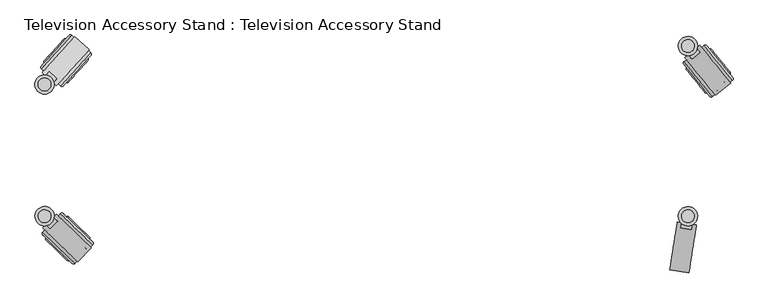
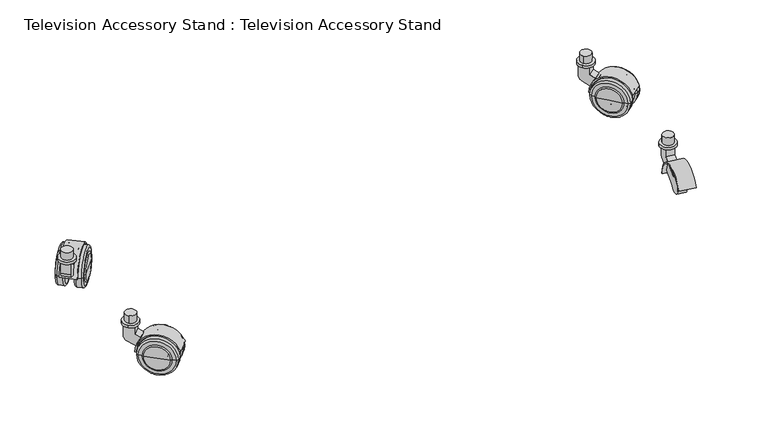
"""IFC4 building model written with IfcOpenShell, lengths in millimetres: furniture geometry, Television Accessory Stand : Television Accessory Stand."""

from ifc_helpers import new_model, si_unit, point, frame, frame_2d, origin, origin_2d, place, context, project, spatial, polyline, circle_curve, ellipse_curve, trimmed, segment, composite_curve, outline, extrude, source, transform, mapped, element, save
from ifc_brep_helpers import plane_surface, cylinder_surface, revolved_surface, advanced_brep


def television_accessory_stand_television_accessory_stand_908c038f(model_context):
    return source(origin(), model_context, "Body", "SolidModel", [
        extrude(outline(composite_curve([segment(polyline([(37.0, 0.0), (39.0, 0.0)]), True, "CONTINUOUS"), segment(trimmed(circle_curve(origin_2d(), 39.0), [point((39.0, 0.0))], [point((-36.6480122, -13.3387856))], False, "CARTESIAN"), True, "CONTINUOUS"), segment(polyline([(-36.6480122, -13.3387856), (-34.768627, -12.6547453)]), True, "CONTINUOUS"), segment(trimmed(circle_curve(origin_2d(), 37.0), [point((-34.768627, -12.6547453))], [point((37.0, 0.0))], True, "CARTESIAN"), True, "CONTINUOUS")], self_intersect=False)), frame((125.5471145, 54.4769845, 35.0), z_axis=(0.6946583704590072, 0.7193398003386415, 0.0), x_axis=(0.6759583022158301, -0.6527653446874928, 0.34202014332566927)), (0.0, 0.0, 1.0), 30.0),
        extrude(outline(composite_curve([segment(polyline([(-25.0, 0.0), (-5.0, 0.0), (-5.0, -21.6846171)]), True, "CONTINUOUS"), segment(trimmed(circle_curve(frame_2d((-15.0, -21.6846171)), 10.0), [point((-5.0, -21.6846171))], [point((-10.7738175, -30.747695))], False, "CARTESIAN"), True, "CONTINUOUS"), segment(polyline([(-10.7738175, -30.747695), (-50.6409883, -49.3380621)]), True, "CONTINUOUS"), segment(trimmed(circle_curve(frame_2d((-65.0000001, -45.0)), 15.0), [point((-50.6409883, -49.3380621))], [point((-80.0000001, -45.0))], False, "CARTESIAN"), True, "CONTINUOUS"), segment(trimmed(circle_curve(frame_2d((-65.0000001, -45.0)), 15.0), [point((-80.0000001, -45.0))], [point((-59.0933536, -31.2119063))], False, "CARTESIAN"), True, "CONTINUOUS"), segment(polyline([(-59.0933536, -31.2119063), (-25.0, -15.3139145), (-25.0, 0.0)]), True, "CONTINUOUS")], self_intersect=False)), frame((83.652636, 104.6651572, 80.0), z_axis=(0.6946583704590072, 0.7193398003386416, 0.0), x_axis=(-0.7193398003386416, 0.6946583704590072, 0.0)), (0.0, 0.0, 1.0), 16.0),
        extrude(outline(composite_curve([segment(trimmed(circle_curve(frame_2d((100.0, 100.0)), 15.0), [point((89.5801244, 89.209903))], [point((110.4198756, 110.790097))], False, "CARTESIAN"), True, "CONTINUOUS"), segment(trimmed(circle_curve(frame_2d((100.0, 100.0)), 15.0), [point((110.4198756, 110.790097))], [point((89.5801244, 89.209903))], False, "CARTESIAN"), True, "CONTINUOUS")], self_intersect=False)), frame((0.0, 0.0, 80.0), z_axis=(0.0, 0.0, 1.0), x_axis=(1.0, 0.0, 0.0)), (0.0, 0.0, 1.0), 5.0),
        extrude(outline(composite_curve([segment(trimmed(circle_curve(frame_2d((100.0, 100.0)), 10.0), [point((93.0534163, 92.806602))], [point((106.9465837, 107.193398))], False, "CARTESIAN"), True, "CONTINUOUS"), segment(trimmed(circle_curve(frame_2d((100.0, 100.0)), 10.0), [point((106.9465837, 107.193398))], [point((93.0534163, 92.806602))], False, "CARTESIAN"), True, "CONTINUOUS")], self_intersect=False)), frame((0.0, 0.0, 85.0), z_axis=(0.0, 0.0, 1.0), x_axis=(1.0, 0.0, 0.0)), (0.0, 0.0, 1.0), 15.0),
        advanced_brep(
        [(174.9630061, 59.582829, 35.0), (128.9252589, 104.0409647, 35.0), (151.9441325, 81.8118969, 35.0), (175.0370504, 55.3408345, 35.0), (124.6832644, 103.9669204, 35.0), (168.7851251, 48.8667763, 35.0), (118.4313391, 97.4928622, 35.0), (164.5431306, 48.792732, 35.0), (118.5053834, 93.2508677, 35.0), (141.524257, 71.0217999, 35.0)],
        [
            (0, 1, circle_curve(frame((151.9441325, 81.8118969, 35.0), z_axis=(0.6946583704590004, 0.7193398003386482, 0.0), x_axis=(-0.7193398003386482, 0.6946583704590004, 0.0)), 32.0)),
            (1, 2),
            (2, 0),
            (1, 0, circle_curve(frame((151.9441325, 81.8118969, 35.0), z_axis=(0.6946583704590004, 0.7193398003386482, 0.0), x_axis=(-0.7193398003386482, 0.6946583704590004, 0.0)), 32.0)),
            (3, 4, circle_curve(frame((149.8601574, 79.6538775, 35.0), z_axis=(0.6946583704590004, 0.7193398003386482, 0.0), x_axis=(-0.7193398003386482, 0.6946583704590004, 0.0)), 35.0)),
            (4, 1, circle_curve(frame((126.8412838, 101.8829453, 35.0), z_axis=(0.0, 0.0, -1.0), x_axis=(-0.6946583704590027, -0.719339800338646, 0.0)), 3.0)),
            (0, 3, circle_curve(frame((172.879031, 57.4248096, 35.0), z_axis=(0.0, 0.0, -1.0), x_axis=(-0.694658370458998, -0.7193398003386504, 0.0)), 3.0)),
            (4, 3, circle_curve(frame((149.8601574, 79.6538775, 35.0), z_axis=(0.6946583704590004, 0.7193398003386482, 0.0), x_axis=(-0.7193398003386482, 0.6946583704590004, 0.0)), 35.0)),
            (5, 6, circle_curve(frame((143.6082321, 73.1798193, 35.0), z_axis=(0.6946583704590004, 0.7193398003386482, 0.0), x_axis=(-0.7193398003386482, 0.6946583704590004, 0.0)), 35.0)),
            (6, 4),
            (3, 5),
            (6, 5, circle_curve(frame((143.6082321, 73.1798193, 35.0), z_axis=(0.6946583704590004, 0.7193398003386482, 0.0), x_axis=(-0.7193398003386482, 0.6946583704590004, 0.0)), 35.0)),
            (7, 8, circle_curve(frame((141.524257, 71.0217999, 35.0), z_axis=(0.6946583704590004, 0.7193398003386482, 0.0), x_axis=(-0.7193398003386482, 0.6946583704590004, 0.0)), 32.0)),
            (8, 6, circle_curve(frame((120.5893585, 95.4088871, 35.0), z_axis=(0.0, 0.0, -1.0), x_axis=(-0.6946583704590027, -0.719339800338646, 0.0)), 3.0)),
            (5, 7, circle_curve(frame((166.6271057, 50.9507514, 35.0), z_axis=(0.0, 0.0, -1.0), x_axis=(-0.694658370458998, -0.7193398003386504, 0.0)), 3.0)),
            (8, 7, circle_curve(frame((141.524257, 71.0217999, 35.0), z_axis=(0.6946583704590004, 0.7193398003386482, 0.0), x_axis=(-0.7193398003386482, 0.6946583704590004, 0.0)), 32.0)),
            (9, 8),
            (7, 9),
        ],
        [
            plane_surface(frame((151.9441325, 81.8118969, 35.0), z_axis=(0.6946583704590004, 0.7193398003386482, 0.0), x_axis=(-0.7193398003386482, 0.6946583704590004, 0.0))),
            revolved_surface(trimmed(ellipse_curve(frame((126.8412838, 101.8829453, 35.0), z_axis=(0.0, 0.0, 1.0), x_axis=(-0.6946583704590027, -0.719339800338646, 0.0)), 3.0, 3.0), [point((128.9252589, 104.0409647, 35.0))], [point((124.6832644, 103.9669204, 35.0))], True, "CARTESIAN"), (141.524257, 71.0217999, 35.0), (-0.6946583704590004, -0.7193398003386482, 0.0)),
            cylinder_surface(frame((141.524257, 71.0217999, 35.0), z_axis=(-0.6946583704590004, -0.7193398003386482, 0.0), x_axis=(-0.7193398003386482, 0.6946583704590004, 0.0)), 35.0),
            revolved_surface(trimmed(ellipse_curve(frame((120.5893585, 95.4088871, 35.0), z_axis=(0.0, 0.0, 1.0), x_axis=(-0.6946583704590027, -0.719339800338646, 0.0)), 3.0, 3.0), [point((118.4313391, 97.4928622, 35.0))], [point((118.5053834, 93.2508677, 35.0))], True, "CARTESIAN"), (141.524257, 71.0217999, 35.0), (-0.6946583704590004, -0.7193398003386482, 0.0)),
            plane_surface(frame((141.524257, 71.0217999, 35.0), z_axis=(-0.6946583704590004, -0.7193398003386482, 0.0), x_axis=(-0.7193398003386482, 0.6946583704590004, 0.0))),
        ],
        [
            (0, [[1, 2, 3]]),
            (0, [[4, -3, -2]]),
            (1, [[5, 6, -1, 7]]),
            (1, [[8, -7, -4, -6]]),
            (2, [[9, 10, -5, 11]]),
            (2, [[12, -11, -8, -10]]),
            (3, [[13, 14, -9, 15]]),
            (3, [[16, -15, -12, -14]]),
            (4, [[17, -13, 18]]),
            (4, [[-18, -16, -17]]),
        ],
    ),
        advanced_brep(
        [(169.8782647, 67.273434, 35.0), (136.7886339, 99.227719, 35.0), (153.3334493, 83.2505765, 35.0), (169.9276275, 64.4454376, 35.0), (133.9606375, 99.1783561, 35.0), (151.9441325, 81.8118969, 35.0)],
        [
            (0, 1, circle_curve(frame((153.3334493, 83.2505765, 35.0), z_axis=(0.6946583704590004, 0.7193398003386482, 0.0), x_axis=(-0.7193398003386482, 0.6946583704590004, 0.0)), 23.0)),
            (1, 2),
            (2, 0),
            (1, 0, circle_curve(frame((153.3334493, 83.2505765, 35.0), z_axis=(0.6946583704590004, 0.7193398003386482, 0.0), x_axis=(-0.7193398003386482, 0.6946583704590004, 0.0)), 23.0)),
            (3, 4, circle_curve(frame((151.9441325, 81.8118969, 35.0), z_axis=(0.6946583704590004, 0.7193398003386482, 0.0), x_axis=(-0.7193398003386482, 0.6946583704590004, 0.0)), 25.0)),
            (4, 1, circle_curve(frame((135.3993171, 97.7890394, 35.0), z_axis=(0.0, 0.0, -1.0), x_axis=(-0.6946583704589966, -0.7193398003386519, 0.0)), 2.0)),
            (0, 3, circle_curve(frame((168.4889479, 65.8347544, 35.0), z_axis=(0.0, 0.0, -1.0), x_axis=(-0.6946583704590041, -0.7193398003386445, 0.0)), 2.0)),
            (4, 3, circle_curve(frame((151.9441325, 81.8118969, 35.0), z_axis=(0.6946583704590004, 0.7193398003386482, 0.0), x_axis=(-0.7193398003386482, 0.6946583704590004, 0.0)), 25.0)),
            (5, 4),
            (3, 5),
        ],
        [
            plane_surface(frame((153.3334493, 83.2505765, 35.0), z_axis=(0.6946583704590004, 0.7193398003386482, 0.0), x_axis=(-0.7193398003386482, 0.6946583704590004, 0.0))),
            revolved_surface(trimmed(ellipse_curve(frame((135.3993171, 97.7890394, 35.0), z_axis=(0.0, 0.0, 1.0), x_axis=(-0.6946583704589966, -0.7193398003386519, 0.0)), 2.0, 2.0), [point((136.7886339, 99.227719, 35.0))], [point((133.9606375, 99.1783561, 35.0))], True, "CARTESIAN"), (151.9441325, 81.8118969, 35.0), (-0.6946583704590004, -0.7193398003386482, 0.0)),
            plane_surface(frame((151.9441325, 81.8118969, 35.0), z_axis=(-0.6946583704590004, -0.7193398003386482, 0.0), x_axis=(-0.7193398003386482, 0.6946583704590004, 0.0))),
        ],
        [
            (0, [[1, 2, 3]]),
            (0, [[4, -3, -2]]),
            (1, [[5, 6, -1, 7]]),
            (1, [[8, -7, -4, -6]]),
            (2, [[9, -5, 10]]),
            (2, [[-10, -8, -9]]),
        ],
    ),
        advanced_brep(
        [(153.4285967, 37.2832952, 35.0), (107.3908494, 81.7414309, 35.0), (130.4097231, 59.5123631, 35.0), (153.502641, 33.0413007, 35.0), (103.1488549, 81.6673866, 35.0), (147.2507156, 26.5672425, 35.0), (96.8969296, 75.1933284, 35.0), (143.0087211, 26.4931982, 35.0), (96.9709739, 70.9513339, 35.0), (119.9898475, 48.7222661, 35.0)],
        [
            (0, 1, circle_curve(frame((130.4097231, 59.5123631, 35.0), z_axis=(0.694658370459005, 0.7193398003386438, 0.0), x_axis=(-0.7193398003386438, 0.694658370459005, 0.0)), 32.0)),
            (1, 2),
            (2, 0),
            (1, 0, circle_curve(frame((130.4097231, 59.5123631, 35.0), z_axis=(0.694658370459005, 0.7193398003386438, 0.0), x_axis=(-0.7193398003386438, 0.694658370459005, 0.0)), 32.0)),
            (3, 4, circle_curve(frame((128.3257479, 57.3543437, 35.0), z_axis=(0.694658370459005, 0.7193398003386438, 0.0), x_axis=(-0.7193398003386438, 0.694658370459005, 0.0)), 35.0)),
            (4, 1, circle_curve(frame((105.3068743, 79.5834115, 35.0), z_axis=(0.0, 0.0, -1.0), x_axis=(0.6946583704590027, 0.719339800338646, 0.0)), 3.0)),
            (0, 3, circle_curve(frame((151.3446216, 35.1252758, 35.0), z_axis=(0.0, 0.0, -1.0), x_axis=(0.6946583704590074, 0.7193398003386415, 0.0)), 3.0)),
            (4, 3, circle_curve(frame((128.3257479, 57.3543437, 35.0), z_axis=(0.694658370459005, 0.7193398003386438, 0.0), x_axis=(-0.7193398003386438, 0.694658370459005, 0.0)), 35.0)),
            (5, 6, circle_curve(frame((122.0738226, 50.8802855, 35.0), z_axis=(0.694658370459005, 0.7193398003386438, 0.0), x_axis=(-0.7193398003386438, 0.694658370459005, 0.0)), 35.0)),
            (6, 4),
            (3, 5),
            (6, 5, circle_curve(frame((122.0738226, 50.8802855, 35.0), z_axis=(0.694658370459005, 0.7193398003386438, 0.0), x_axis=(-0.7193398003386438, 0.694658370459005, 0.0)), 35.0)),
            (7, 8, circle_curve(frame((119.9898475, 48.7222661, 35.0), z_axis=(0.694658370459005, 0.7193398003386438, 0.0), x_axis=(-0.7193398003386438, 0.694658370459005, 0.0)), 32.0)),
            (8, 6, circle_curve(frame((99.054949, 73.1093533, 35.0), z_axis=(0.0, 0.0, -1.0), x_axis=(0.6946583704590027, 0.719339800338646, 0.0)), 3.0)),
            (5, 7, circle_curve(frame((145.0926962, 28.6512176, 35.0), z_axis=(0.0, 0.0, -1.0), x_axis=(0.6946583704590074, 0.7193398003386415, 0.0)), 3.0)),
            (8, 7, circle_curve(frame((119.9898475, 48.7222661, 35.0), z_axis=(0.694658370459005, 0.7193398003386438, 0.0), x_axis=(-0.7193398003386438, 0.694658370459005, 0.0)), 32.0)),
            (9, 8),
            (7, 9),
        ],
        [
            plane_surface(frame((130.4097231, 59.5123631, 35.0), z_axis=(0.694658370459005, 0.7193398003386438, 0.0), x_axis=(-0.7193398003386438, 0.694658370459005, 0.0))),
            revolved_surface(trimmed(ellipse_curve(frame((105.3068743, 79.5834115, 35.0), z_axis=(0.0, 0.0, 1.0), x_axis=(0.6946583704590027, 0.719339800338646, 0.0)), 3.0, 3.0), [point((107.3908494, 81.7414309, 35.0))], [point((103.1488549, 81.6673866, 35.0))], True, "CARTESIAN"), (130.4097231, 59.5123631, 35.0), (-0.694658370459005, -0.7193398003386438, 0.0)),
            cylinder_surface(frame((130.4097231, 59.5123631, 35.0), z_axis=(-0.694658370459005, -0.7193398003386438, 0.0), x_axis=(-0.7193398003386438, 0.694658370459005, 0.0)), 35.0),
            revolved_surface(trimmed(ellipse_curve(frame((99.054949, 73.1093533, 35.0), z_axis=(0.0, 0.0, 1.0), x_axis=(0.6946583704590027, 0.719339800338646, 0.0)), 3.0, 3.0), [point((96.8969296, 75.1933284, 35.0))], [point((96.9709739, 70.9513339, 35.0))], True, "CARTESIAN"), (130.4097231, 59.5123631, 35.0), (-0.694658370459005, -0.7193398003386438, 0.0)),
            plane_surface(frame((119.9898475, 48.7222661, 35.0), z_axis=(-0.694658370459005, -0.7193398003386438, 0.0), x_axis=(-0.7193398003386438, 0.694658370459005, 0.0))),
        ],
        [
            (0, [[1, 2, 3]]),
            (0, [[4, -3, -2]]),
            (1, [[5, 6, -1, 7]]),
            (1, [[8, -7, -4, -6]]),
            (2, [[9, 10, -5, 11]]),
            (2, [[12, -11, -8, -10]]),
            (3, [[13, 14, -9, 15]]),
            (3, [[16, -15, -12, -14]]),
            (4, [[17, -13, 18]]),
            (4, [[-18, -16, -17]]),
        ],
    ),
        advanced_brep(
        [(137.9733425, 31.3558068, 35.0), (102.0063525, 66.0887253, 35.0), (119.9898475, 48.7222661, 35.0), (135.1453462, 31.3064439, 35.0), (102.0557153, 63.260729, 35.0), (118.6005308, 47.2835865, 35.0)],
        [
            (0, 1, circle_curve(frame((119.9898475, 48.7222661, 35.0), z_axis=(0.694658370459005, 0.7193398003386438, 0.0), x_axis=(-0.7193398003386438, 0.694658370459005, 0.0)), 25.0)),
            (1, 2),
            (2, 0),
            (1, 0, circle_curve(frame((119.9898475, 48.7222661, 35.0), z_axis=(0.694658370459005, 0.7193398003386438, 0.0), x_axis=(-0.7193398003386438, 0.694658370459005, 0.0)), 25.0)),
            (3, 4, circle_curve(frame((118.6005308, 47.2835865, 35.0), z_axis=(0.694658370459005, 0.7193398003386438, 0.0), x_axis=(-0.7193398003386438, 0.694658370459005, 0.0)), 23.0)),
            (4, 1, circle_curve(frame((103.4450321, 64.6994086, 35.0), z_axis=(0.0, 0.0, -1.0), x_axis=(0.6946583704590088, 0.7193398003386401, 0.0)), 2.0)),
            (0, 3, circle_curve(frame((136.5346629, 32.7451235, 35.0), z_axis=(0.0, 0.0, -1.0), x_axis=(0.6946583704590013, 0.7193398003386474, 0.0)), 2.0)),
            (4, 3, circle_curve(frame((118.6005308, 47.2835865, 35.0), z_axis=(0.694658370459005, 0.7193398003386438, 0.0), x_axis=(-0.7193398003386438, 0.694658370459005, 0.0)), 23.0)),
            (5, 4),
            (3, 5),
        ],
        [
            plane_surface(frame((119.9898475, 48.7222661, 35.0), z_axis=(0.694658370459005, 0.7193398003386438, 0.0), x_axis=(-0.7193398003386438, 0.694658370459005, 0.0))),
            revolved_surface(trimmed(ellipse_curve(frame((103.4450321, 64.6994086, 35.0), z_axis=(0.0, 0.0, 1.0), x_axis=(0.6946583704590088, 0.7193398003386401, 0.0)), 2.0, 2.0), [point((102.0063525, 66.0887253, 35.0))], [point((102.0557153, 63.260729, 35.0))], True, "CARTESIAN"), (119.9898475, 48.7222661, 35.0), (-0.694658370459005, -0.7193398003386438, 0.0)),
            plane_surface(frame((118.6005308, 47.2835865, 35.0), z_axis=(-0.694658370459005, -0.7193398003386438, 0.0), x_axis=(-0.7193398003386438, 0.694658370459005, 0.0))),
        ],
        [
            (0, [[1, 2, 3]]),
            (0, [[4, -3, -2]]),
            (1, [[5, 6, -1, 7]]),
            (1, [[8, -7, -4, -6]]),
            (2, [[9, -5, 10]]),
            (2, [[-10, -8, -9]]),
        ],
    ),
        extrude(outline(composite_curve([segment(polyline([(37.0, 0.0), (39.0, 0.0)]), True, "CONTINUOUS"), segment(trimmed(circle_curve(origin_2d(), 39.0), [point((39.0, 0.0))], [point((-36.6480122, -13.3387856))], False, "CARTESIAN"), True, "CONTINUOUS"), segment(polyline([(-36.6480122, -13.3387856), (-34.768627, -12.6547453)]), True, "CONTINUOUS"), segment(trimmed(circle_curve(origin_2d(), 37.0), [point((-34.768627, -12.6547453))], [point((37.0, 0.0))], True, "CARTESIAN"), True, "CONTINUOUS")], self_intersect=False)), frame((144.6037027, 332.1202822, 35.0), z_axis=(-0.7431448254773843, 0.6691306063588693, 0.0), x_axis=(0.6287770931374298, 0.6983277086763295, 0.34202014332566927)), (0.0, 0.0, 1.0), 30.0),
        extrude(outline(composite_curve([segment(polyline([(-25.0, 0.0), (-5.0, 0.0), (-5.0, -21.6846171)]), True, "CONTINUOUS"), segment(trimmed(circle_curve(frame_2d((-14.9999999, -21.6846171)), 10.0), [point((-5.0, -21.6846171))], [point((-10.7738174, -30.747695))], False, "CARTESIAN"), True, "CONTINUOUS"), segment(polyline([(-10.7738174, -30.747695), (-50.6409883, -49.3380621)]), True, "CONTINUOUS"), segment(trimmed(circle_curve(frame_2d((-64.9999999, -45.0)), 15.0), [point((-50.6409883, -49.3380621))], [point((-80.0, -45.0))], False, "CARTESIAN"), True, "CONTINUOUS"), segment(trimmed(circle_curve(frame_2d((-64.9999999, -45.0)), 15.0), [point((-80.0, -45.0))], [point((-59.0933535, -31.2119063))], False, "CARTESIAN"), True, "CONTINUOUS"), segment(polyline([(-59.0933535, -31.2119063), (-25.0, -15.3139145), (-25.0, 0.0)]), True, "CONTINUOUS")], self_intersect=False)), frame((95.9081995, 288.4997828, 80.0), z_axis=(-0.7431448254773843, 0.6691306063588693, 0.0), x_axis=(-0.6691306063588693, -0.7431448254773843, 0.0)), (0.0, 0.0, 1.0), 16.0),
        extrude(outline(composite_curve([segment(trimmed(circle_curve(frame_2d((100.0, 305.0)), 15.0), [point((111.1471724, 294.9630409))], [point((88.8528276, 315.0369591))], False, "CARTESIAN"), True, "CONTINUOUS"), segment(trimmed(circle_curve(frame_2d((100.0, 305.0)), 15.0), [point((88.8528276, 315.0369591))], [point((111.1471724, 294.9630409))], False, "CARTESIAN"), True, "CONTINUOUS")], self_intersect=False)), frame((0.0, 0.0, 80.0), z_axis=(0.0, 0.0, 1.0), x_axis=(1.0, 0.0, 0.0)), (0.0, 0.0, 1.0), 5.0),
        extrude(outline(composite_curve([segment(trimmed(circle_curve(frame_2d((100.0, 305.0)), 10.0), [point((107.4314483, 298.3086939))], [point((92.5685517, 311.6913061))], False, "CARTESIAN"), True, "CONTINUOUS"), segment(trimmed(circle_curve(frame_2d((100.0, 305.0)), 10.0), [point((92.5685517, 311.6913061))], [point((107.4314483, 298.3086939))], False, "CARTESIAN"), True, "CONTINUOUS")], self_intersect=False)), frame((0.0, 0.0, 85.0), z_axis=(0.0, 0.0, 1.0), x_axis=(1.0, 0.0, 0.0)), (0.0, 0.0, 1.0), 15.0),
        advanced_brep(
        [(137.7763787, 381.3278796, 35.0), (94.9520199, 333.7666108, 35.0), (116.3641993, 357.5472452, 35.0), (142.013205, 381.5499223, 35.0), (95.1740626, 329.5297845, 35.0), (148.7015085, 375.5277468, 35.0), (101.862366, 323.5076091, 35.0), (148.9235511, 371.2909205, 35.0), (106.0991923, 323.7296517, 35.0), (127.5113717, 347.5102861, 35.0)],
        [
            (0, 1, circle_curve(frame((116.3641993, 357.5472452, 35.0), z_axis=(-0.7431448254773907, 0.6691306063588622, 0.0), x_axis=(-0.6691306063588622, -0.7431448254773907, 0.0)), 32.0)),
            (1, 2),
            (2, 0),
            (1, 0, circle_curve(frame((116.3641993, 357.5472452, 35.0), z_axis=(-0.7431448254773907, 0.6691306063588622, 0.0), x_axis=(-0.6691306063588622, -0.7431448254773907, 0.0)), 32.0)),
            (3, 4, circle_curve(frame((118.5936338, 355.5398534, 35.0), z_axis=(-0.7431448254773907, 0.6691306063588622, 0.0), x_axis=(-0.6691306063588622, -0.7431448254773907, 0.0)), 35.0)),
            (4, 1, circle_curve(frame((97.1814544, 331.759219, 35.0), z_axis=(0.0, 0.0, -1.0), x_axis=(0.7431448254773885, -0.6691306063588647, 0.0)), 3.0)),
            (0, 3, circle_curve(frame((140.0058132, 379.3204878, 35.0), z_axis=(0.0, 0.0, -1.0), x_axis=(0.7431448254773929, -0.6691306063588598, 0.0)), 3.0)),
            (4, 3, circle_curve(frame((118.5936338, 355.5398534, 35.0), z_axis=(-0.7431448254773907, 0.6691306063588622, 0.0), x_axis=(-0.6691306063588622, -0.7431448254773907, 0.0)), 35.0)),
            (5, 6, circle_curve(frame((125.2819372, 349.5176779, 35.0), z_axis=(-0.7431448254773907, 0.6691306063588622, 0.0), x_axis=(-0.6691306063588622, -0.7431448254773907, 0.0)), 35.0)),
            (6, 4),
            (3, 5),
            (6, 5, circle_curve(frame((125.2819372, 349.5176779, 35.0), z_axis=(-0.7431448254773907, 0.6691306063588622, 0.0), x_axis=(-0.6691306063588622, -0.7431448254773907, 0.0)), 35.0)),
            (7, 8, circle_curve(frame((127.5113717, 347.5102861, 35.0), z_axis=(-0.7431448254773907, 0.6691306063588622, 0.0), x_axis=(-0.6691306063588622, -0.7431448254773907, 0.0)), 32.0)),
            (8, 6, circle_curve(frame((103.8697578, 325.7370435, 35.0), z_axis=(0.0, 0.0, -1.0), x_axis=(0.7431448254773885, -0.6691306063588647, 0.0)), 3.0)),
            (5, 7, circle_curve(frame((146.6941166, 373.2983124, 35.0), z_axis=(0.0, 0.0, -1.0), x_axis=(0.7431448254773929, -0.6691306063588598, 0.0)), 3.0)),
            (8, 7, circle_curve(frame((127.5113717, 347.5102861, 35.0), z_axis=(-0.7431448254773907, 0.6691306063588622, 0.0), x_axis=(-0.6691306063588622, -0.7431448254773907, 0.0)), 32.0)),
            (9, 8),
            (7, 9),
        ],
        [
            plane_surface(frame((116.3641993, 357.5472452, 35.0), z_axis=(-0.7431448254773907, 0.6691306063588622, 0.0), x_axis=(-0.6691306063588622, -0.7431448254773907, 0.0))),
            revolved_surface(trimmed(ellipse_curve(frame((97.1814544, 331.759219, 35.0), z_axis=(0.0, 0.0, 1.0), x_axis=(0.7431448254773885, -0.6691306063588647, 0.0)), 3.0, 3.0), [point((94.9520199, 333.7666108, 35.0))], [point((95.1740626, 329.5297845, 35.0))], True, "CARTESIAN"), (127.5113717, 347.5102861, 35.0), (0.7431448254773907, -0.6691306063588622, 0.0)),
            cylinder_surface(frame((127.5113717, 347.5102861, 35.0), z_axis=(0.7431448254773907, -0.6691306063588622, 0.0), x_axis=(-0.6691306063588622, -0.7431448254773907, 0.0)), 35.0),
            revolved_surface(trimmed(ellipse_curve(frame((103.8697578, 325.7370435, 35.0), z_axis=(0.0, 0.0, 1.0), x_axis=(0.7431448254773885, -0.6691306063588647, 0.0)), 3.0, 3.0), [point((101.862366, 323.5076091, 35.0))], [point((106.0991923, 323.7296517, 35.0))], True, "CARTESIAN"), (127.5113717, 347.5102861, 35.0), (0.7431448254773907, -0.6691306063588622, 0.0)),
            plane_surface(frame((127.5113717, 347.5102861, 35.0), z_axis=(0.7431448254773907, -0.6691306063588622, 0.0), x_axis=(-0.6691306063588622, -0.7431448254773907, 0.0))),
        ],
        [
            (0, [[1, 2, 3]]),
            (0, [[4, -3, -2]]),
            (1, [[5, 6, -1, 7]]),
            (1, [[8, -7, -4, -6]]),
            (2, [[9, 10, -5, 11]]),
            (2, [[12, -11, -8, -10]]),
            (3, [[13, 14, -9, 15]]),
            (3, [[16, -15, -12, -14]]),
            (4, [[17, -13, 18]]),
            (4, [[-18, -16, -17]]),
        ],
    ),
        advanced_brep(
        [(130.2679136, 375.9778374, 35.0), (99.4879057, 341.7931754, 35.0), (114.8779097, 358.8855064, 35.0), (133.0924645, 376.1258659, 35.0), (99.6359342, 338.9686246, 35.0), (116.3641993, 357.5472452, 35.0)],
        [
            (0, 1, circle_curve(frame((114.8779097, 358.8855064, 35.0), z_axis=(-0.7431448254773907, 0.6691306063588622, 0.0), x_axis=(-0.6691306063588622, -0.7431448254773907, 0.0)), 23.0)),
            (1, 2),
            (2, 0),
            (1, 0, circle_curve(frame((114.8779097, 358.8855064, 35.0), z_axis=(-0.7431448254773907, 0.6691306063588622, 0.0), x_axis=(-0.6691306063588622, -0.7431448254773907, 0.0)), 23.0)),
            (3, 4, circle_curve(frame((116.3641993, 357.5472452, 35.0), z_axis=(-0.7431448254773907, 0.6691306063588622, 0.0), x_axis=(-0.6691306063588622, -0.7431448254773907, 0.0)), 25.0)),
            (4, 1, circle_curve(frame((100.9741954, 340.4549142, 35.0), z_axis=(0.0, 0.0, -1.0), x_axis=(0.7431448254773941, -0.6691306063588583, 0.0)), 2.0)),
            (0, 3, circle_curve(frame((131.7542033, 374.6395762, 35.0), z_axis=(0.0, 0.0, -1.0), x_axis=(0.7431448254773872, -0.6691306063588661, 0.0)), 2.0)),
            (4, 3, circle_curve(frame((116.3641993, 357.5472452, 35.0), z_axis=(-0.7431448254773907, 0.6691306063588622, 0.0), x_axis=(-0.6691306063588622, -0.7431448254773907, 0.0)), 25.0)),
            (5, 4),
            (3, 5),
        ],
        [
            plane_surface(frame((114.8779097, 358.8855064, 35.0), z_axis=(-0.7431448254773907, 0.6691306063588622, 0.0), x_axis=(-0.6691306063588622, -0.7431448254773907, 0.0))),
            revolved_surface(trimmed(ellipse_curve(frame((100.9741954, 340.4549142, 35.0), z_axis=(0.0, 0.0, 1.0), x_axis=(0.7431448254773941, -0.6691306063588583, 0.0)), 2.0, 2.0), [point((99.4879057, 341.7931754, 35.0))], [point((99.6359342, 338.9686246, 35.0))], True, "CARTESIAN"), (116.3641993, 357.5472452, 35.0), (0.7431448254773907, -0.6691306063588622, 0.0)),
            plane_surface(frame((116.3641993, 357.5472452, 35.0), z_axis=(0.7431448254773907, -0.6691306063588622, 0.0), x_axis=(-0.6691306063588622, -0.7431448254773907, 0.0))),
        ],
        [
            (0, [[1, 2, 3]]),
            (0, [[4, -3, -2]]),
            (1, [[5, 6, -1, 7]]),
            (1, [[8, -7, -4, -6]]),
            (2, [[9, -5, 10]]),
            (2, [[-10, -8, -9]]),
        ],
    ),
        advanced_brep(
        [(160.8138683, 360.5848308, 35.0), (117.9895095, 313.023562, 35.0), (139.4016889, 336.8041964, 35.0), (165.0506946, 360.8068735, 35.0), (118.2115522, 308.7867357, 35.0), (171.7389981, 354.784698, 35.0), (124.8998556, 302.7645603, 35.0), (171.9610407, 350.5478717, 35.0), (129.1366819, 302.9866029, 35.0), (150.5488613, 326.7672373, 35.0)],
        [
            (0, 1, circle_curve(frame((139.4016889, 336.8041964, 35.0), z_axis=(-0.7431448254773863, 0.6691306063588671, 0.0), x_axis=(-0.6691306063588671, -0.7431448254773863, 0.0)), 32.0)),
            (1, 2),
            (2, 0),
            (1, 0, circle_curve(frame((139.4016889, 336.8041964, 35.0), z_axis=(-0.7431448254773863, 0.6691306063588671, 0.0), x_axis=(-0.6691306063588671, -0.7431448254773863, 0.0)), 32.0)),
            (3, 4, circle_curve(frame((141.6311234, 334.7968046, 35.0), z_axis=(-0.7431448254773863, 0.6691306063588671, 0.0), x_axis=(-0.6691306063588671, -0.7431448254773863, 0.0)), 35.0)),
            (4, 1, circle_curve(frame((120.218944, 311.0161702, 35.0), z_axis=(0.0, 0.0, -1.0), x_axis=(-0.7431448254773885, 0.6691306063588647, 0.0)), 3.0)),
            (0, 3, circle_curve(frame((163.0433028, 358.577439, 35.0), z_axis=(0.0, 0.0, -1.0), x_axis=(-0.743144825477384, 0.6691306063588696, 0.0)), 3.0)),
            (4, 3, circle_curve(frame((141.6311234, 334.7968046, 35.0), z_axis=(-0.7431448254773863, 0.6691306063588671, 0.0), x_axis=(-0.6691306063588671, -0.7431448254773863, 0.0)), 35.0)),
            (5, 6, circle_curve(frame((148.3194268, 328.7746291, 35.0), z_axis=(-0.7431448254773863, 0.6691306063588671, 0.0), x_axis=(-0.6691306063588671, -0.7431448254773863, 0.0)), 35.0)),
            (6, 4),
            (3, 5),
            (6, 5, circle_curve(frame((148.3194268, 328.7746291, 35.0), z_axis=(-0.7431448254773863, 0.6691306063588671, 0.0), x_axis=(-0.6691306063588671, -0.7431448254773863, 0.0)), 35.0)),
            (7, 8, circle_curve(frame((150.5488613, 326.7672373, 35.0), z_axis=(-0.7431448254773863, 0.6691306063588671, 0.0), x_axis=(-0.6691306063588671, -0.7431448254773863, 0.0)), 32.0)),
            (8, 6, circle_curve(frame((126.9072474, 304.9939947, 35.0), z_axis=(0.0, 0.0, -1.0), x_axis=(-0.7431448254773885, 0.6691306063588647, 0.0)), 3.0)),
            (5, 7, circle_curve(frame((169.7316062, 352.5552636, 35.0), z_axis=(0.0, 0.0, -1.0), x_axis=(-0.743144825477384, 0.6691306063588696, 0.0)), 3.0)),
            (8, 7, circle_curve(frame((150.5488613, 326.7672373, 35.0), z_axis=(-0.7431448254773863, 0.6691306063588671, 0.0), x_axis=(-0.6691306063588671, -0.7431448254773863, 0.0)), 32.0)),
            (9, 8),
            (7, 9),
        ],
        [
            plane_surface(frame((139.4016889, 336.8041964, 35.0), z_axis=(-0.7431448254773863, 0.6691306063588671, 0.0), x_axis=(-0.6691306063588671, -0.7431448254773863, 0.0))),
            revolved_surface(trimmed(ellipse_curve(frame((120.218944, 311.0161702, 35.0), z_axis=(0.0, 0.0, 1.0), x_axis=(-0.7431448254773885, 0.6691306063588647, 0.0)), 3.0, 3.0), [point((117.9895095, 313.023562, 35.0))], [point((118.2115522, 308.7867357, 35.0))], True, "CARTESIAN"), (139.4016889, 336.8041964, 35.0), (0.7431448254773863, -0.6691306063588671, 0.0)),
            cylinder_surface(frame((139.4016889, 336.8041964, 35.0), z_axis=(0.7431448254773863, -0.6691306063588671, 0.0), x_axis=(-0.6691306063588671, -0.7431448254773863, 0.0)), 35.0),
            revolved_surface(trimmed(ellipse_curve(frame((126.9072474, 304.9939947, 35.0), z_axis=(0.0, 0.0, 1.0), x_axis=(-0.7431448254773885, 0.6691306063588647, 0.0)), 3.0, 3.0), [point((124.8998556, 302.7645603, 35.0))], [point((129.1366819, 302.9866029, 35.0))], True, "CARTESIAN"), (139.4016889, 336.8041964, 35.0), (0.7431448254773863, -0.6691306063588671, 0.0)),
            plane_surface(frame((150.5488613, 326.7672373, 35.0), z_axis=(0.7431448254773863, -0.6691306063588671, 0.0), x_axis=(-0.6691306063588671, -0.7431448254773863, 0.0))),
        ],
        [
            (0, [[1, 2, 3]]),
            (0, [[4, -3, -2]]),
            (1, [[5, 6, -1, 7]]),
            (1, [[8, -7, -4, -6]]),
            (2, [[9, 10, -5, 11]]),
            (2, [[12, -11, -8, -10]]),
            (3, [[13, 14, -9, 15]]),
            (3, [[16, -15, -12, -14]]),
            (4, [[17, -13, 18]]),
            (4, [[-18, -16, -17]]),
        ],
    ),
        advanced_brep(
        [(167.2771265, 345.345858, 35.0), (133.8205961, 308.1886167, 35.0), (150.5488613, 326.7672373, 35.0), (167.4251549, 342.5213071, 35.0), (136.645147, 308.3366451, 35.0), (152.035151, 325.4289761, 35.0)],
        [
            (0, 1, circle_curve(frame((150.5488613, 326.7672373, 35.0), z_axis=(-0.7431448254773863, 0.6691306063588671, 0.0), x_axis=(-0.6691306063588671, -0.7431448254773863, 0.0)), 25.0)),
            (1, 2),
            (2, 0),
            (1, 0, circle_curve(frame((150.5488613, 326.7672373, 35.0), z_axis=(-0.7431448254773863, 0.6691306063588671, 0.0), x_axis=(-0.6691306063588671, -0.7431448254773863, 0.0)), 25.0)),
            (3, 4, circle_curve(frame((152.035151, 325.4289761, 35.0), z_axis=(-0.7431448254773863, 0.6691306063588671, 0.0), x_axis=(-0.6691306063588671, -0.7431448254773863, 0.0)), 23.0)),
            (4, 1, circle_curve(frame((135.1588574, 309.6749063, 35.0), z_axis=(0.0, 0.0, -1.0), x_axis=(-0.7431448254773828, 0.669130606358871, 0.0)), 2.0)),
            (0, 3, circle_curve(frame((165.9388653, 343.8595683, 35.0), z_axis=(0.0, 0.0, -1.0), x_axis=(-0.7431448254773897, 0.6691306063588632, 0.0)), 2.0)),
            (4, 3, circle_curve(frame((152.035151, 325.4289761, 35.0), z_axis=(-0.7431448254773863, 0.6691306063588671, 0.0), x_axis=(-0.6691306063588671, -0.7431448254773863, 0.0)), 23.0)),
            (5, 4),
            (3, 5),
        ],
        [
            plane_surface(frame((150.5488613, 326.7672373, 35.0), z_axis=(-0.7431448254773863, 0.6691306063588671, 0.0), x_axis=(-0.6691306063588671, -0.7431448254773863, 0.0))),
            revolved_surface(trimmed(ellipse_curve(frame((135.1588574, 309.6749063, 35.0), z_axis=(0.0, 0.0, 1.0), x_axis=(-0.7431448254773828, 0.669130606358871, 0.0)), 2.0, 2.0), [point((133.8205961, 308.1886167, 35.0))], [point((136.645147, 308.3366451, 35.0))], True, "CARTESIAN"), (150.5488613, 326.7672373, 35.0), (0.7431448254773863, -0.6691306063588671, 0.0)),
            plane_surface(frame((152.035151, 325.4289761, 35.0), z_axis=(0.7431448254773863, -0.6691306063588671, 0.0), x_axis=(-0.6691306063588671, -0.7431448254773863, 0.0))),
        ],
        [
            (0, [[1, 2, 3]]),
            (0, [[4, -3, -2]]),
            (1, [[5, 6, -1, 7]]),
            (1, [[8, -7, -4, -6]]),
            (2, [[9, -5, 10]]),
            (2, [[-10, -8, -9]]),
        ],
    ),
        extrude(outline(composite_curve([segment(polyline([(37.0000001, 0.0), (39.0, 0.0)]), True, "CONTINUOUS"), segment(trimmed(circle_curve(origin_2d(), 39.0), [point((39.0, 0.0))], [point((-36.6480122, -13.3387856))], False, "CARTESIAN"), True, "CONTINUOUS"), segment(polyline([(-36.6480122, -13.3387856), (-34.7686269, -12.6547453)]), True, "CONTINUOUS"), segment(trimmed(circle_curve(origin_2d(), 37.0), [point((-34.7686269, -12.6547453))], [point((37.0000001, 0.0))], True, "CARTESIAN"), True, "CONTINUOUS")], self_intersect=False)), frame((1119.8088301, 316.7028961, 35.0), z_axis=(0.7771459614569797, 0.6293203910498266, 0.0), x_axis=(0.5913677275796242, -0.7302783252546936, 0.3420201433256693)), (0.0, 0.0, 1.0), 30.0),
        extrude(outline(composite_curve([segment(polyline([(-25.0, 0.0), (-5.0, 0.0), (-5.0, -21.6846171)]), True, "CONTINUOUS"), segment(trimmed(circle_curve(frame_2d((-15.0, -21.6846171)), 10.0), [point((-5.0, -21.6846171))], [point((-10.7738174, -30.747695))], False, "CARTESIAN"), True, "CONTINUOUS"), segment(polyline([(-10.7738174, -30.747695), (-50.6409883, -49.3380621)]), True, "CONTINUOUS"), segment(trimmed(circle_curve(frame_2d((-65.0000001, -45.0)), 15.0), [point((-50.6409883, -49.3380621))], [point((-80.0, -45.0))], False, "CARTESIAN"), True, "CONTINUOUS"), segment(trimmed(circle_curve(frame_2d((-65.0000001, -45.0)), 15.0), [point((-80.0, -45.0))], [point((-59.0933535, -31.2119063))], False, "CARTESIAN"), True, "CONTINUOUS"), segment(polyline([(-59.0933535, -31.2119063), (-25.0, -15.3139145), (-25.0, 0.0)]), True, "CONTINUOUS")], self_intersect=False)), frame((1084.3430264, 371.6226263, 80.0), z_axis=(0.7771459614569798, 0.6293203910498266, 0.0), x_axis=(-0.6293203910498266, 0.7771459614569798, 0.0)), (0.0, 0.0, 1.0), 16.0),
        extrude(outline(composite_curve([segment(trimmed(circle_curve(frame_2d((1100.0, 365.0)), 15.0), [point((1088.3428106, 355.5601941))], [point((1111.6571894, 374.4398059))], False, "CARTESIAN"), True, "CONTINUOUS"), segment(trimmed(circle_curve(frame_2d((1100.0, 365.0)), 15.0), [point((1111.6571894, 374.4398059))], [point((1088.3428106, 355.5601941))], False, "CARTESIAN"), True, "CONTINUOUS")], self_intersect=False)), frame((0.0, 0.0, 80.0), z_axis=(0.0, 0.0, 1.0), x_axis=(1.0, 0.0, 0.0)), (0.0, 0.0, 1.0), 5.0),
        extrude(outline(composite_curve([segment(trimmed(circle_curve(frame_2d((1100.0, 365.0)), 10.0), [point((1092.2285404, 358.7067961))], [point((1107.7714596, 371.2932039))], False, "CARTESIAN"), True, "CONTINUOUS"), segment(trimmed(circle_curve(frame_2d((1100.0, 365.0)), 10.0), [point((1107.7714596, 371.2932039))], [point((1092.2285404, 358.7067961))], False, "CARTESIAN"), True, "CONTINUOUS")], self_intersect=False)), frame((0.0, 0.0, 85.0), z_axis=(0.0, 0.0, 1.0), x_axis=(1.0, 0.0, 0.0)), (0.0, 0.0, 1.0), 15.0),
        advanced_brep(
        [(1169.4786292, 315.7484002, 35.0), (1129.2021242, 365.4857417, 35.0), (1149.3403767, 340.6170709, 35.0), (1169.0351525, 311.5290011, 35.0), (1124.9827251, 365.9292184, 35.0), (1162.0408388, 305.8651176, 35.0), (1117.9884114, 360.2653349, 35.0), (1157.8214398, 306.3085943, 35.0), (1117.5449347, 356.0459358, 35.0), (1137.6831872, 331.1772651, 35.0)],
        [
            (0, 1, circle_curve(frame((1149.3403767, 340.6170709, 35.0), z_axis=(0.7771459614569737, 0.629320391049834, 0.0), x_axis=(-0.629320391049834, 0.7771459614569737, 0.0)), 32.0)),
            (1, 2),
            (2, 0),
            (1, 0, circle_curve(frame((1149.3403767, 340.6170709, 35.0), z_axis=(0.7771459614569737, 0.629320391049834, 0.0), x_axis=(-0.629320391049834, 0.7771459614569737, 0.0)), 32.0)),
            (3, 4, circle_curve(frame((1147.0089388, 338.7291097, 35.0), z_axis=(0.7771459614569737, 0.629320391049834, 0.0), x_axis=(-0.629320391049834, 0.7771459614569737, 0.0)), 35.0)),
            (4, 1, circle_curve(frame((1126.8706863, 363.5977805, 35.0), z_axis=(0.0, 0.0, -1.0), x_axis=(-0.7771459614569757, -0.6293203910498314, 0.0)), 3.0)),
            (0, 3, circle_curve(frame((1167.1471913, 313.860439, 35.0), z_axis=(0.0, 0.0, -1.0), x_axis=(-0.7771459614569717, -0.6293203910498365, 0.0)), 3.0)),
            (4, 3, circle_curve(frame((1147.0089388, 338.7291097, 35.0), z_axis=(0.7771459614569737, 0.629320391049834, 0.0), x_axis=(-0.629320391049834, 0.7771459614569737, 0.0)), 35.0)),
            (5, 6, circle_curve(frame((1140.0146251, 333.0652262, 35.0), z_axis=(0.7771459614569737, 0.629320391049834, 0.0), x_axis=(-0.629320391049834, 0.7771459614569737, 0.0)), 35.0)),
            (6, 4),
            (3, 5),
            (6, 5, circle_curve(frame((1140.0146251, 333.0652262, 35.0), z_axis=(0.7771459614569737, 0.629320391049834, 0.0), x_axis=(-0.629320391049834, 0.7771459614569737, 0.0)), 35.0)),
            (7, 8, circle_curve(frame((1137.6831872, 331.1772651, 35.0), z_axis=(0.7771459614569737, 0.629320391049834, 0.0), x_axis=(-0.629320391049834, 0.7771459614569737, 0.0)), 32.0)),
            (8, 6, circle_curve(frame((1119.8763726, 357.933897, 35.0), z_axis=(0.0, 0.0, -1.0), x_axis=(-0.7771459614569757, -0.6293203910498314, 0.0)), 3.0)),
            (5, 7, circle_curve(frame((1160.1528776, 308.1965555, 35.0), z_axis=(0.0, 0.0, -1.0), x_axis=(-0.7771459614569717, -0.6293203910498365, 0.0)), 3.0)),
            (8, 7, circle_curve(frame((1137.6831872, 331.1772651, 35.0), z_axis=(0.7771459614569737, 0.629320391049834, 0.0), x_axis=(-0.629320391049834, 0.7771459614569737, 0.0)), 32.0)),
            (9, 8),
            (7, 9),
        ],
        [
            plane_surface(frame((1149.3403767, 340.6170709, 35.0), z_axis=(0.7771459614569737, 0.629320391049834, 0.0), x_axis=(-0.629320391049834, 0.7771459614569737, 0.0))),
            revolved_surface(trimmed(ellipse_curve(frame((1126.8706863, 363.5977805, 35.0), z_axis=(0.0, 0.0, 1.0), x_axis=(-0.7771459614569757, -0.6293203910498314, 0.0)), 3.0, 3.0), [point((1129.2021242, 365.4857417, 35.0))], [point((1124.9827251, 365.9292184, 35.0))], True, "CARTESIAN"), (1137.6831872, 331.1772651, 35.0), (-0.7771459614569737, -0.629320391049834, 0.0)),
            cylinder_surface(frame((1137.6831872, 331.1772651, 35.0), z_axis=(-0.7771459614569737, -0.629320391049834, 0.0), x_axis=(-0.629320391049834, 0.7771459614569737, 0.0)), 35.0),
            revolved_surface(trimmed(ellipse_curve(frame((1119.8763726, 357.933897, 35.0), z_axis=(0.0, 0.0, 1.0), x_axis=(-0.7771459614569757, -0.6293203910498314, 0.0)), 3.0, 3.0), [point((1117.9884114, 360.2653349, 35.0))], [point((1117.5449347, 356.0459358, 35.0))], True, "CARTESIAN"), (1137.6831872, 331.1772651, 35.0), (-0.7771459614569737, -0.629320391049834, 0.0)),
            plane_surface(frame((1137.6831872, 331.1772651, 35.0), z_axis=(-0.7771459614569737, -0.629320391049834, 0.0), x_axis=(-0.629320391049834, 0.7771459614569737, 0.0))),
        ],
        [
            (0, [[1, 2, 3]]),
            (0, [[4, -3, -2]]),
            (1, [[5, 6, -1, 7]]),
            (1, [[8, -7, -4, -6]]),
            (2, [[9, 10, -5, 11]]),
            (2, [[12, -11, -8, -10]]),
            (3, [[13, 14, -9, 15]]),
            (3, [[16, -15, -12, -14]]),
            (4, [[17, -13, 18]]),
            (4, [[-18, -16, -17]]),
        ],
    ),
        advanced_brep(
        [(1165.3690376, 324.0013546, 35.0), (1136.4202996, 359.7500688, 35.0), (1150.8946686, 341.8757117, 35.0), (1165.0733864, 321.1884219, 35.0), (1133.6073669, 360.04572, 35.0), (1149.3403767, 340.6170709, 35.0)],
        [
            (0, 1, circle_curve(frame((1150.8946686, 341.8757117, 35.0), z_axis=(0.7771459614569737, 0.629320391049834, 0.0), x_axis=(-0.629320391049834, 0.7771459614569737, 0.0)), 23.0)),
            (1, 2),
            (2, 0),
            (1, 0, circle_curve(frame((1150.8946686, 341.8757117, 35.0), z_axis=(0.7771459614569737, 0.629320391049834, 0.0), x_axis=(-0.629320391049834, 0.7771459614569737, 0.0)), 23.0)),
            (3, 4, circle_curve(frame((1149.3403767, 340.6170709, 35.0), z_axis=(0.7771459614569737, 0.629320391049834, 0.0), x_axis=(-0.629320391049834, 0.7771459614569737, 0.0)), 25.0)),
            (4, 1, circle_curve(frame((1134.8660077, 358.491428, 35.0), z_axis=(0.0, 0.0, -1.0), x_axis=(-0.7771459614569705, -0.629320391049838, 0.0)), 2.0)),
            (0, 3, circle_curve(frame((1163.8147457, 322.7427138, 35.0), z_axis=(0.0, 0.0, -1.0), x_axis=(-0.7771459614569769, -0.62932039104983, 0.0)), 2.0)),
            (4, 3, circle_curve(frame((1149.3403767, 340.6170709, 35.0), z_axis=(0.7771459614569737, 0.629320391049834, 0.0), x_axis=(-0.629320391049834, 0.7771459614569737, 0.0)), 25.0)),
            (5, 4),
            (3, 5),
        ],
        [
            plane_surface(frame((1150.8946686, 341.8757117, 35.0), z_axis=(0.7771459614569737, 0.629320391049834, 0.0), x_axis=(-0.629320391049834, 0.7771459614569737, 0.0))),
            revolved_surface(trimmed(ellipse_curve(frame((1134.8660077, 358.491428, 35.0), z_axis=(0.0, 0.0, 1.0), x_axis=(-0.7771459614569705, -0.629320391049838, 0.0)), 2.0, 2.0), [point((1136.4202996, 359.7500688, 35.0))], [point((1133.6073669, 360.04572, 35.0))], True, "CARTESIAN"), (1149.3403767, 340.6170709, 35.0), (-0.7771459614569737, -0.629320391049834, 0.0)),
            plane_surface(frame((1149.3403767, 340.6170709, 35.0), z_axis=(-0.7771459614569737, -0.629320391049834, 0.0), x_axis=(-0.629320391049834, 0.7771459614569737, 0.0))),
        ],
        [
            (0, [[1, 2, 3]]),
            (0, [[4, -3, -2]]),
            (1, [[5, 6, -1, 7]]),
            (1, [[8, -7, -4, -6]]),
            (2, [[9, -5, 10]]),
            (2, [[-10, -8, -9]]),
        ],
    ),
        advanced_brep(
        [(1145.3871044, 296.239468, 35.0), (1105.1105993, 345.9768096, 35.0), (1125.2488519, 321.1081388, 35.0), (1144.9436277, 292.020069, 35.0), (1100.8912003, 346.4202863, 35.0), (1137.949314, 286.3561855, 35.0), (1093.8968866, 340.7564028, 35.0), (1133.729915, 286.7996622, 35.0), (1093.4534099, 336.5370037, 35.0), (1113.5916624, 311.6683329, 35.0)],
        [
            (0, 1, circle_curve(frame((1125.2488519, 321.1081388, 35.0), z_axis=(0.7771459614569779, 0.629320391049829, 0.0), x_axis=(-0.6293203910498288, 0.7771459614569777, 0.0)), 32.0)),
            (1, 2),
            (2, 0),
            (1, 0, circle_curve(frame((1125.2488519, 321.1081388, 35.0), z_axis=(0.7771459614569779, 0.629320391049829, 0.0), x_axis=(-0.6293203910498288, 0.7771459614569777, 0.0)), 32.0)),
            (3, 4, circle_curve(frame((1122.917414, 319.2201776, 35.0), z_axis=(0.7771459614569779, 0.629320391049829, 0.0), x_axis=(-0.6293203910498288, 0.7771459614569777, 0.0)), 35.0)),
            (4, 1, circle_curve(frame((1102.7791615, 344.0888484, 35.0), z_axis=(0.0, 0.0, -1.0), x_axis=(0.7771459614569757, 0.6293203910498314, 0.0)), 3.0)),
            (0, 3, circle_curve(frame((1143.0556665, 294.3515069, 35.0), z_axis=(0.0, 0.0, -1.0), x_axis=(0.7771459614569797, 0.6293203910498263, 0.0)), 3.0)),
            (4, 3, circle_curve(frame((1122.917414, 319.2201776, 35.0), z_axis=(0.7771459614569779, 0.629320391049829, 0.0), x_axis=(-0.6293203910498288, 0.7771459614569777, 0.0)), 35.0)),
            (5, 6, circle_curve(frame((1115.9231003, 313.5562941, 35.0), z_axis=(0.7771459614569779, 0.629320391049829, 0.0), x_axis=(-0.6293203910498288, 0.7771459614569777, 0.0)), 35.0)),
            (6, 4),
            (3, 5),
            (6, 5, circle_curve(frame((1115.9231003, 313.5562941, 35.0), z_axis=(0.7771459614569779, 0.629320391049829, 0.0), x_axis=(-0.6293203910498288, 0.7771459614569777, 0.0)), 35.0)),
            (7, 8, circle_curve(frame((1113.5916624, 311.6683329, 35.0), z_axis=(0.7771459614569779, 0.629320391049829, 0.0), x_axis=(-0.6293203910498288, 0.7771459614569777, 0.0)), 32.0)),
            (8, 6, circle_curve(frame((1095.7848478, 338.4249649, 35.0), z_axis=(0.0, 0.0, -1.0), x_axis=(0.7771459614569757, 0.6293203910498314, 0.0)), 3.0)),
            (5, 7, circle_curve(frame((1136.0613528, 288.6876233, 35.0), z_axis=(0.0, 0.0, -1.0), x_axis=(0.7771459614569797, 0.6293203910498263, 0.0)), 3.0)),
            (8, 7, circle_curve(frame((1113.5916624, 311.6683329, 35.0), z_axis=(0.7771459614569779, 0.629320391049829, 0.0), x_axis=(-0.6293203910498288, 0.7771459614569777, 0.0)), 32.0)),
            (9, 8),
            (7, 9),
        ],
        [
            plane_surface(frame((1125.2488519, 321.1081388, 35.0), z_axis=(0.7771459614569778, 0.629320391049829, 0.0), x_axis=(-0.629320391049829, 0.7771459614569778, 0.0))),
            revolved_surface(trimmed(ellipse_curve(frame((1102.7791615, 344.0888484, 35.0), z_axis=(0.0, 0.0, 1.0), x_axis=(0.7771459614569757, 0.6293203910498314, 0.0)), 3.0, 3.0), [point((1105.1105993, 345.9768096, 35.0))], [point((1100.8912003, 346.4202863, 35.0))], True, "CARTESIAN"), (1125.2488519, 321.1081388, 35.0), (-0.7771459614569777, -0.6293203910498288, 0.0)),
            cylinder_surface(frame((1125.2488519, 321.1081388, 35.0), z_axis=(-0.7771459614569777, -0.6293203910498288, 0.0), x_axis=(-0.6293203910498288, 0.7771459614569777, 0.0)), 35.0),
            revolved_surface(trimmed(ellipse_curve(frame((1095.7848478, 338.4249649, 35.0), z_axis=(0.0, 0.0, 1.0), x_axis=(0.7771459614569757, 0.6293203910498314, 0.0)), 3.0, 3.0), [point((1093.8968866, 340.7564028, 35.0))], [point((1093.4534099, 336.5370037, 35.0))], True, "CARTESIAN"), (1125.2488519, 321.1081388, 35.0), (-0.7771459614569777, -0.6293203910498288, 0.0)),
            plane_surface(frame((1113.5916624, 311.6683329, 35.0), z_axis=(-0.7771459614569778, -0.629320391049829, 0.0), x_axis=(-0.629320391049829, 0.7771459614569778, 0.0))),
        ],
        [
            (0, [[1, 2, 3]]),
            (0, [[4, -3, -2]]),
            (1, [[5, 6, -1, 7]]),
            (1, [[8, -7, -4, -6]]),
            (2, [[9, 10, -5, 11]]),
            (2, [[12, -11, -8, -10]]),
            (3, [[13, 14, -9, 15]]),
            (3, [[16, -15, -12, -14]]),
            (4, [[17, -13, 18]]),
            (4, [[-18, -16, -17]]),
        ],
    ),
        advanced_brep(
        [(1129.3246722, 292.2396839, 35.0), (1097.8586527, 331.096982, 35.0), (1113.5916624, 311.6683329, 35.0), (1126.5117395, 292.535335, 35.0), (1097.5630015, 328.2840493, 35.0), (1112.0373705, 310.4096922, 35.0)],
        [
            (0, 1, circle_curve(frame((1113.5916624, 311.6683329, 35.0), z_axis=(0.7771459614569779, 0.629320391049829, 0.0), x_axis=(-0.6293203910498288, 0.7771459614569777, 0.0)), 25.0)),
            (1, 2),
            (2, 0),
            (1, 0, circle_curve(frame((1113.5916624, 311.6683329, 35.0), z_axis=(0.7771459614569779, 0.629320391049829, 0.0), x_axis=(-0.6293203910498288, 0.7771459614569777, 0.0)), 25.0)),
            (3, 4, circle_curve(frame((1112.0373705, 310.4096922, 35.0), z_axis=(0.7771459614569779, 0.629320391049829, 0.0), x_axis=(-0.6293203910498288, 0.7771459614569777, 0.0)), 23.0)),
            (4, 1, circle_curve(frame((1099.1172934, 329.54269, 35.0), z_axis=(0.0, 0.0, -1.0), x_axis=(0.7771459614569809, 0.6293203910498248, 0.0)), 2.0)),
            (0, 3, circle_curve(frame((1128.0660314, 293.7939758, 35.0), z_axis=(0.0, 0.0, -1.0), x_axis=(0.7771459614569745, 0.6293203910498328, 0.0)), 2.0)),
            (4, 3, circle_curve(frame((1112.0373705, 310.4096922, 35.0), z_axis=(0.7771459614569779, 0.629320391049829, 0.0), x_axis=(-0.6293203910498288, 0.7771459614569777, 0.0)), 23.0)),
            (5, 4),
            (3, 5),
        ],
        [
            plane_surface(frame((1113.5916624, 311.6683329, 35.0), z_axis=(0.7771459614569778, 0.629320391049829, 0.0), x_axis=(-0.629320391049829, 0.7771459614569778, 0.0))),
            revolved_surface(trimmed(ellipse_curve(frame((1099.1172934, 329.54269, 35.0), z_axis=(0.0, 0.0, 1.0), x_axis=(0.7771459614569809, 0.6293203910498248, 0.0)), 2.0, 2.0), [point((1097.8586527, 331.096982, 35.0))], [point((1097.5630015, 328.2840493, 35.0))], True, "CARTESIAN"), (1113.5916624, 311.6683329, 35.0), (-0.7771459614569777, -0.6293203910498288, 0.0)),
            plane_surface(frame((1112.0373705, 310.4096922, 35.0), z_axis=(-0.7771459614569778, -0.629320391049829, 0.0), x_axis=(-0.629320391049829, 0.7771459614569778, 0.0))),
        ],
        [
            (0, [[1, 2, 3]]),
            (0, [[4, -3, -2]]),
            (1, [[5, 6, -1, 7]]),
            (1, [[8, -7, -4, -6]]),
            (2, [[9, -5, 10]]),
            (2, [[-10, -8, -9]]),
        ],
    ),
        extrude(outline(composite_curve([segment(trimmed(circle_curve(origin_2d(), 37.0), [point((-37.0, 0.0))], [point((34.768627, -12.6547453))], True, "CARTESIAN"), True, "CONTINUOUS"), segment(polyline([(34.768627, -12.6547453), (36.6480122, -13.3387856)]), True, "CONTINUOUS"), segment(trimmed(circle_curve(origin_2d(), 39.0), [point((36.6480122, -13.3387856))], [point((-39.0, 0.0))], False, "CARTESIAN"), True, "CONTINUOUS"), segment(polyline([(-39.0, 0.0), (-37.0, 0.0)]), True, "CONTINUOUS")], self_intersect=False)), frame((1106.9936019, 48.269066, 35.0), z_axis=(-0.9876883405951349, 0.15643446504024863, 0.0), x_axis=(0.1470003124349128, 0.9281234452935272, -0.34202014332566927)), (0.0, 0.0, 1.0), 30.0),
        extrude(outline(composite_curve([segment(polyline([(25.0, 0.0), (25.0, -15.3139145), (59.0933535, -31.2119063)]), True, "CONTINUOUS"), segment(trimmed(circle_curve(frame_2d((65.0000001, -45.0)), 15.0), [point((59.0933535, -31.2119063))], [point((80.0000001, -45.0))], False, "CARTESIAN"), True, "CONTINUOUS"), segment(trimmed(circle_curve(frame_2d((65.0000001, -45.0)), 15.0), [point((80.0000001, -45.0))], [point((50.6409883, -49.3380621))], False, "CARTESIAN"), True, "CONTINUOUS"), segment(polyline([(50.6409883, -49.3380621), (10.7738174, -30.747695)]), True, "CONTINUOUS"), segment(trimmed(circle_curve(frame_2d((15.0, -21.6846171)), 10.0), [point((10.7738174, -30.747695))], [point((5.0, -21.6846171))], False, "CARTESIAN"), True, "CONTINUOUS"), segment(polyline([(5.0, -21.6846171), (5.0, 0.0), (25.0, 0.0)]), True, "CONTINUOUS")], self_intersect=False)), frame((1110.2480237, 113.5638494, 80.0), z_axis=(-0.987688340595135, 0.15643446504024863, 0.0), x_axis=(-0.15643446504024863, -0.987688340595135, 0.0)), (0.0, 0.0, 1.0), 16.0),
        extrude(outline(composite_curve([segment(trimmed(circle_curve(frame_2d((1100.0, 100.0)), 15.0), [point((1085.1846749, 102.346517))], [point((1114.8153251, 97.653483))], False, "CARTESIAN"), True, "CONTINUOUS"), segment(trimmed(circle_curve(frame_2d((1100.0, 100.0)), 15.0), [point((1114.8153251, 97.653483))], [point((1085.1846749, 102.346517))], False, "CARTESIAN"), True, "CONTINUOUS")], self_intersect=False)), frame((0.0, 0.0, 80.0), z_axis=(0.0, 0.0, 1.0), x_axis=(1.0, 0.0, 0.0)), (0.0, 0.0, 1.0), 5.0),
        extrude(outline(composite_curve([segment(trimmed(circle_curve(frame_2d((1100.0, 100.0)), 10.0), [point((1090.1231166, 101.5643447))], [point((1109.8768834, 98.4356553))], False, "CARTESIAN"), True, "CONTINUOUS"), segment(trimmed(circle_curve(frame_2d((1100.0, 100.0)), 10.0), [point((1109.8768834, 98.4356553))], [point((1090.1231166, 101.5643447))], False, "CARTESIAN"), True, "CONTINUOUS")], self_intersect=False)), frame((0.0, 0.0, 85.0), z_axis=(0.0, 0.0, 1.0), x_axis=(1.0, 0.0, 0.0)), (0.0, 0.0, 1.0), 15.0),
    ])


if __name__ == "__main__":
    model = new_model("IFC4")
    model_context = context("Model", 3, world=origin())
    ifc_project = project(units=[si_unit("LENGTHUNIT", "METRE", prefix="MILLI")], contexts=[model_context])
    site = spatial("IfcSite", under=ifc_project)
    building = spatial("IfcBuilding", under=site)
    placement = place(None, origin())
    television_accessory_stand_television_accessory_stand_shape = television_accessory_stand_television_accessory_stand_908c038f(model_context)
    element("IfcFurniture", 1, ObjectType="Television Accessory Stand : Television Accessory Stand", at=placement, inside=building, context=model_context, shape_type="MappedRepresentation", body=[
        mapped(television_accessory_stand_television_accessory_stand_shape, transform((0.0, 0.0, 0.0), x_axis=(1.0, 0.0, 0.0), y_axis=(0.0, 1.0, 0.0), z_axis=(0.0, 0.0, 1.0))),
    ])
    save(model, "model.ifc")
